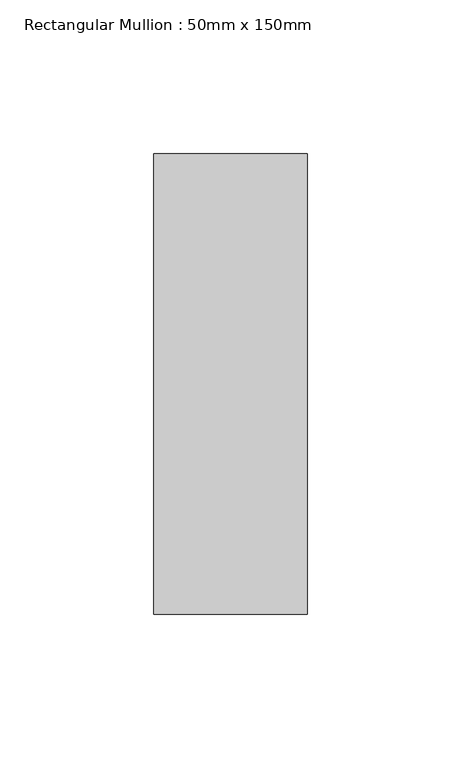
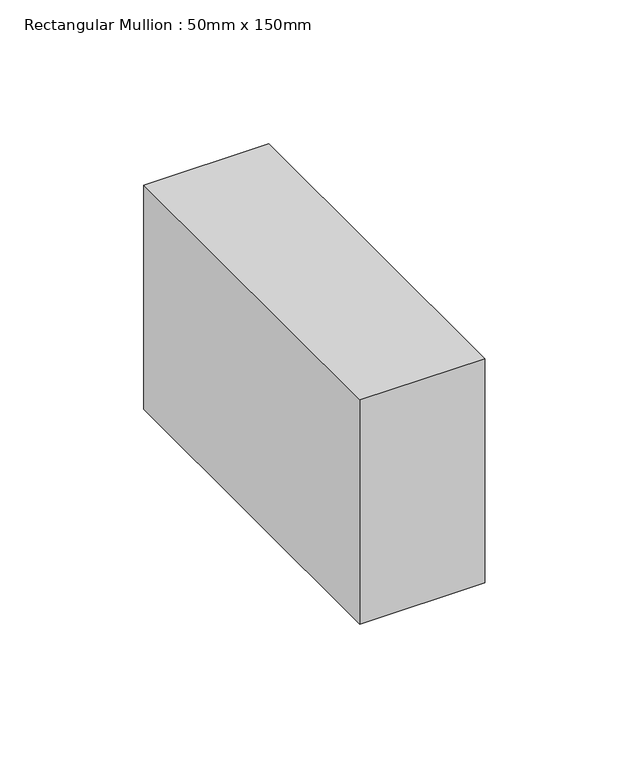
"""IFC4 building model written with IfcOpenShell, lengths in millimetres: member geometry, Rectangular Mullion : 50mm x 150mm."""

from ifc_helpers import new_model, si_unit, frame, origin, place, context, project, spatial, polyline, outline, extrude, source, transform, mapped, element, save


def rectangular_mullion_50mm_x_150mm_793098d6(model_context):
    return source(origin(), model_context, "Body", "SweptSolid", [
        extrude(outline(polyline([(0.0, 75.0), (0.0, -75.0), (-50.0, -75.0), (-50.0, 75.0), (0.0, 75.0)])), frame((0.0, 0.0, -95.0244267), z_axis=(0.0, 0.0, 1.0), x_axis=(1.0, 0.0, 0.0)), (0.0, 0.0, 1.0), 95.0244267),
    ])


if __name__ == "__main__":
    model = new_model("IFC4")
    model_context = context("Model", 3, world=origin())
    ifc_project = project(units=[si_unit("LENGTHUNIT", "METRE", prefix="MILLI")], contexts=[model_context])
    site = spatial("IfcSite", under=ifc_project)
    building = spatial("IfcBuilding", under=site)
    placement = place(None, origin())
    rectangular_mullion_50mm_x_150mm_shape = rectangular_mullion_50mm_x_150mm_793098d6(model_context)
    element("IfcMember", 1, ObjectType="Rectangular Mullion : 50mm x 150mm", at=placement, inside=building, context=model_context, shape_type="MappedRepresentation", body=[
        mapped(rectangular_mullion_50mm_x_150mm_shape, transform((0.0, 0.0, 0.0), x_axis=(1.0, 0.0, 0.0), y_axis=(0.0, 1.0, 0.0), z_axis=(0.0, 0.0, 1.0))),
    ])
    save(model, "model.ifc")
